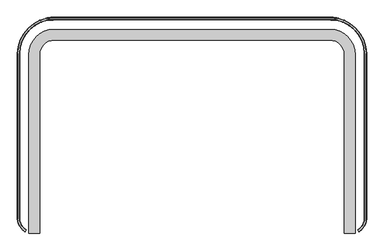
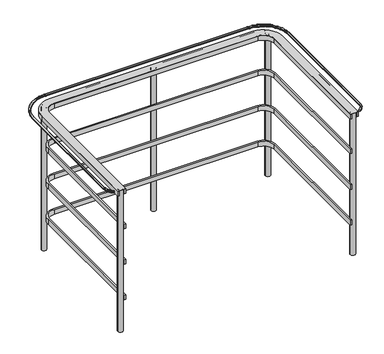
"""IFC4 building model written with IfcOpenShell, lengths in millimetres: furniture geometry."""

from ifc_helpers import new_model, si_unit, point, frame, frame_2d, origin, origin_with_axes, place, context, project, spatial, polyline, circle_curve, ellipse_curve, trimmed, segment, composite_curve, outline, extrude, source, transform, mapped, element, save
from ifc_brep_helpers import plane_surface, cylinder_surface, revolved_surface, advanced_brep


def furniture_d16b6ce9(model_context):
    return source(origin(), model_context, "Body", "SolidModel", [
        advanced_brep(
        [(1219.8057584, -798.6816288, 1486.5399706), (1221.0351016, -800.9043108, 1483.9999706), (1225.8363168, -809.5850221, 1483.9999706), (1227.0656601, -811.8077041, 1486.5399706), (1227.0656601, -811.8077041, 1493.9723658), (1227.1970672, -812.0452913, 1494.9525302), (1227.5738284, -812.7264845, 1496.2498448), (1227.3682554, -812.3548037, 1497.0000492), (1219.5200489, -798.1650592, 1497.0000492), (1219.3062783, -797.778557, 1496.2199292), (1219.6743512, -798.4440416, 1494.9525312), (1219.8057584, -798.6816288, 1493.9723667), (1270.0401768, -717.7988757, 1483.9999706), (1267.5001768, -717.7988757, 1486.5399706), (1279.9601776, -717.7988757, 1483.9999706), (1270.0401768, 499.6902468, 1483.9999706), (1017.4633118, 752.2671118, 1483.9999706), (-1017.4633118, 752.2671118, 1483.9999706), (-1270.0401768, 499.6902468, 1483.9999706), (-1270.0401768, -717.7988635, 1483.9999706), (-1221.0350164, -800.9043458, 1483.9999706), (-1225.8362226, -809.585062, 1483.9999706), (-1279.9601776, -717.7988635, 1483.9999706), (-1279.9601776, 499.6902468, 1483.9999706), (-1017.4633118, 762.1871126, 1483.9999706), (1017.4633118, 762.1871126, 1483.9999706), (1279.9601776, 499.6902468, 1483.9999706), (1282.5001776, -717.7988757, 1486.5399706), (1282.5001776, -717.7988757, 1493.9723658), (1282.7716836, -717.7988757, 1494.9525302), (1283.5501264, -717.7988757, 1496.2498448), (1283.1253831, -717.7988757, 1497.0000492), (1266.9098599, -717.7988757, 1497.0000492), (1283.1253831, 499.6902468, 1497.0000492), (1017.4633118, 765.3523181, 1497.0000492), (-1017.4633118, 765.3523181, 1497.0000492), (-1283.1253831, 499.6902468, 1497.0000492), (-1283.1253831, -717.7988635, 1497.0000492), (-1227.3681584, -812.3548451, 1497.0000492), (-1219.5199664, -798.1650927, 1497.0000492), (-1266.9098599, -717.7988635, 1497.0000492), (-1266.9098599, 499.6902468, 1497.0000492), (-1017.4633118, 749.1367949, 1497.0000492), (1017.4633118, 749.1367949, 1497.0000492), (1266.9098599, 499.6902468, 1497.0000492), (1266.4681792, -717.7988757, 1496.2199292), (1267.2286708, -717.7988757, 1494.9525312), (1267.5001768, -717.7988757, 1493.9723667), (1267.5001768, 499.6902468, 1486.5399706), (1282.5001776, 499.6902468, 1486.5399706), (1282.5001776, 499.6902468, 1493.9723658), (1282.7716836, 499.6902468, 1494.9525302), (1283.5501264, 499.6902468, 1496.2498448), (1266.4681792, 499.6902468, 1496.2199292), (1267.2286708, 499.6902468, 1494.9525312), (1267.5001768, 499.6902468, 1493.9723667), (1017.4633118, 749.7271118, 1486.5399706), (1017.4633118, 764.7271126, 1486.5399706), (1017.4633118, 764.7271126, 1493.9723658), (1017.4633118, 764.9986186, 1494.9525302), (1017.4633118, 765.7770614, 1496.2498448), (1017.4633118, 748.6951142, 1496.2199292), (1017.4633118, 749.4556058, 1494.9525312), (1017.4633118, 749.7271118, 1493.9723667), (-1017.4633118, 749.7271118, 1486.5399706), (-1017.4633118, 764.7271126, 1486.5399706), (-1017.4633118, 764.7271126, 1493.9723658), (-1017.4633118, 764.9986186, 1494.9525302), (-1017.4633118, 765.7770614, 1496.2498448), (-1017.4633118, 748.6951142, 1496.2199292), (-1017.4633118, 749.4556058, 1494.9525312), (-1017.4633118, 749.7271118, 1493.9723667), (-1267.5001768, 499.6902468, 1486.5399706), (-1282.5001776, 499.6902468, 1486.5399706), (-1282.5001776, 499.6902468, 1493.9723658), (-1282.7716836, 499.6902468, 1494.9525302), (-1283.5501264, 499.6902468, 1496.2498448), (-1266.4681792, 499.6902468, 1496.2199292), (-1267.2286708, 499.6902468, 1494.9525312), (-1267.5001768, 499.6902468, 1493.9723667), (-1267.5001768, -717.7988635, 1486.5399706), (-1282.5001776, -717.7988635, 1486.5399706), (-1282.5001776, -717.7988635, 1493.9723658), (-1282.7716836, -717.7988635, 1494.9525302), (-1283.5501264, -717.7988635, 1496.2498448), (-1266.4681792, -717.7988635, 1496.2199292), (-1267.2286708, -717.7988635, 1494.9525312), (-1267.5001768, -717.7988635, 1493.9723667), (-1219.8056754, -798.6816626, 1486.5399706), (-1219.8056754, -798.6816626, 1493.9723667), (-1219.6742685, -798.4440752, 1494.9525312), (-1219.3061963, -797.7785902, 1496.2199292), (-1227.573731, -812.7265262, 1496.2498448), (-1227.1969705, -812.0453326, 1494.9525302), (-1227.0655636, -811.8077452, 1493.9723658), (-1227.0655636, -811.8077452, 1486.5399706)],
        [
            (0, 1, circle_curve(frame((1221.0351016, -800.9043108, 1486.5399706), z_axis=(-0.8750716363705221, -0.4839934206369097, 0.0), x_axis=(-0.4839934206369097, 0.8750716363705221, 0.0)), 2.54)),
            (1, 2),
            (2, 3, circle_curve(frame((1225.8363168, -809.5850221, 1486.5399706), z_axis=(-0.8750716363705221, -0.4839934206369097, 0.0), x_axis=(-0.4839934206369097, 0.8750716363705221, 0.0)), 2.54)),
            (3, 4),
            (4, 5, circle_curve(frame((1227.9876675, -813.4747155, 1493.9723658), z_axis=(0.8750716363705221, 0.4839934206369097, 0.0), x_axis=(-0.4839934206369097, 0.8750716363705221, 0.0)), 1.905)),
            (5, 6),
            (6, 7, circle_curve(frame((1227.3682554, -812.3548037, 1496.5047085), z_axis=(-0.8750716363705221, -0.4839934206369097, 0.0), x_axis=(-0.4839934206369097, 0.8750716363705221, 0.0)), 0.4953407)),
            (7, 8),
            (8, 9, circle_curve(frame((1219.5200489, -798.1650592, 1496.484956), z_axis=(-0.8750716363705221, -0.4839934206369097, 0.0), x_axis=(-0.4839934206369097, 0.8750716363705221, 0.0)), 0.5150932)),
            (9, 10),
            (10, 11, circle_curve(frame((1218.8837509, -797.0146174, 1493.9723667), z_axis=(0.8750716363705221, 0.4839934206369097, 0.0), x_axis=(-0.4839934206369097, 0.8750716363705221, 0.0)), 1.905)),
            (11, 0),
            (12, 1, circle_curve(frame((1175.0703118, -717.7988757, 1483.9999706), z_axis=(0.0, 0.0, -1.0), x_axis=(0.48399342063690975, -0.8750716363705221, 0.0)), 94.969865)),
            (0, 13, circle_curve(frame((1175.0703118, -717.7988757, 1486.5399706), z_axis=(0.0, 0.0, 1.0), x_axis=(0.48399342063690975, -0.8750716363705221, 0.0)), 92.429865)),
            (13, 12, circle_curve(frame((1270.0401768, -717.7988757, 1486.5399706), z_axis=(0.0, -1.0, 0.0), x_axis=(-1.0, 0.0, 0.0)), 2.54)),
            (14, 2, circle_curve(frame((1175.0703118, -717.7988757, 1483.9999706), z_axis=(0.0, 0.0, -1.0), x_axis=(0.48399342063690975, -0.8750716363705221, 0.0)), 104.8898658)),
            (12, 15),
            (15, 16, circle_curve(frame((1017.4633118, 499.6902468, 1483.9999706), z_axis=(0.0, 0.0, 1.0), x_axis=(1.0, 0.0, 0.0)), 252.576865)),
            (16, 17),
            (17, 18, circle_curve(frame((-1017.4633118, 499.6902468, 1483.9999706), z_axis=(0.0, 0.0, 1.0), x_axis=(0.0, 1.0, 0.0)), 252.576865)),
            (18, 19),
            (19, 20, circle_curve(frame((-1175.0703118, -717.7988635, 1483.9999706), z_axis=(0.0, 0.0, 1.0), x_axis=(-1.0, 0.0, 0.0)), 94.969865)),
            (20, 21),
            (21, 22, circle_curve(frame((-1175.0703118, -717.7988635, 1483.9999706), z_axis=(0.0, 0.0, -1.0), x_axis=(-1.0, 0.0, 0.0)), 104.8898658)),
            (22, 23),
            (23, 24, circle_curve(frame((-1017.4633118, 499.6902468, 1483.9999706), z_axis=(0.0, 0.0, -1.0), x_axis=(0.0, 1.0, 0.0)), 262.4968658)),
            (24, 25),
            (25, 26, circle_curve(frame((1017.4633118, 499.6902468, 1483.9999706), z_axis=(0.0, 0.0, -1.0), x_axis=(1.0, 0.0, 0.0)), 262.4968658)),
            (26, 14),
            (27, 3, circle_curve(frame((1175.0703118, -717.7988757, 1486.5399706), z_axis=(0.0, 0.0, -1.0), x_axis=(0.48399342063690975, -0.8750716363705221, 0.0)), 107.4298658)),
            (14, 27, circle_curve(frame((1279.9601776, -717.7988757, 1486.5399706), z_axis=(0.0, -1.0, 0.0), x_axis=(-1.0, 0.0, 0.0)), 2.54)),
            (28, 4, circle_curve(frame((1175.0703118, -717.7988757, 1493.9723658), z_axis=(0.0, 0.0, -1.0), x_axis=(0.48399342063690975, -0.8750716363705221, 0.0)), 107.4298658)),
            (27, 28),
            (29, 5, circle_curve(frame((1175.0703118, -717.7988757, 1494.9525302), z_axis=(0.0, 0.0, -1.0), x_axis=(0.48399342063690975, -0.8750716363705221, 0.0)), 107.7013718)),
            (28, 29, circle_curve(frame((1284.4051776, -717.7988757, 1493.9723658), z_axis=(0.0, 1.0, 0.0), x_axis=(-1.0, 0.0, 0.0)), 1.905)),
            (30, 6, circle_curve(frame((1175.0703118, -717.7988757, 1496.2498448), z_axis=(0.0, 0.0, -1.0), x_axis=(0.48399342063690975, -0.8750716363705221, 0.0)), 108.4798146)),
            (29, 30),
            (31, 7, circle_curve(frame((1175.0703118, -717.7988757, 1497.0000492), z_axis=(0.0, 0.0, -1.0), x_axis=(0.48399342063690975, -0.8750716363705221, 0.0)), 108.0550712)),
            (30, 31, circle_curve(frame((1283.1253831, -717.7988757, 1496.5047085), z_axis=(0.0, -1.0, 0.0), x_axis=(-1.0, 0.0, 0.0)), 0.4953407)),
            (32, 8, circle_curve(frame((1175.0703118, -717.7988757, 1497.0000492), z_axis=(0.0, 0.0, -1.0), x_axis=(0.48399342063690975, -0.8750716363705221, 0.0)), 91.839548)),
            (31, 33),
            (33, 34, circle_curve(frame((1017.4633118, 499.6902468, 1497.0000492), z_axis=(0.0, 0.0, 1.0), x_axis=(1.0, 0.0, 0.0)), 265.6620712)),
            (34, 35),
            (35, 36, circle_curve(frame((-1017.4633118, 499.6902468, 1497.0000492), z_axis=(0.0, 0.0, 1.0), x_axis=(0.0, 1.0, 0.0)), 265.6620712)),
            (36, 37),
            (37, 38, circle_curve(frame((-1175.0703118, -717.7988635, 1497.0000492), z_axis=(0.0, 0.0, 1.0), x_axis=(-1.0, 0.0, 0.0)), 108.0550712)),
            (38, 39),
            (39, 40, circle_curve(frame((-1175.0703118, -717.7988635, 1497.0000492), z_axis=(0.0, 0.0, -1.0), x_axis=(-1.0, 0.0, 0.0)), 91.839548)),
            (40, 41),
            (41, 42, circle_curve(frame((-1017.4633118, 499.6902468, 1497.0000492), z_axis=(0.0, 0.0, -1.0), x_axis=(0.0, 1.0, 0.0)), 249.446548)),
            (42, 43),
            (43, 44, circle_curve(frame((1017.4633118, 499.6902468, 1497.0000492), z_axis=(0.0, 0.0, -1.0), x_axis=(1.0, 0.0, 0.0)), 249.446548)),
            (44, 32),
            (45, 9, circle_curve(frame((1175.0703118, -717.7988757, 1496.2199292), z_axis=(0.0, 0.0, -1.0), x_axis=(0.48399342063690975, -0.8750716363705221, 0.0)), 91.3978674)),
            (32, 45, circle_curve(frame((1266.9098599, -717.7988757, 1496.484956), z_axis=(0.0, -1.0, 0.0), x_axis=(-1.0, 0.0, 0.0)), 0.5150932)),
            (46, 10, circle_curve(frame((1175.0703118, -717.7988757, 1494.9525312), z_axis=(0.0, 0.0, -1.0), x_axis=(0.48399342063690975, -0.8750716363705221, 0.0)), 92.158359)),
            (45, 46),
            (47, 11, circle_curve(frame((1175.0703118, -717.7988757, 1493.9723667), z_axis=(0.0, 0.0, -1.0), x_axis=(0.48399342063690975, -0.8750716363705221, 0.0)), 92.429865)),
            (46, 47, circle_curve(frame((1265.5951768, -717.7988757, 1493.9723667), z_axis=(0.0, 1.0, 0.0), x_axis=(-1.0, 0.0, 0.0)), 1.905)),
            (47, 13),
            (13, 48),
            (48, 15, circle_curve(frame((1270.0401768, 499.6902468, 1486.5399706), z_axis=(0.0, -1.0, 0.0), x_axis=(-1.0, 0.0, 0.0)), 2.54)),
            (26, 49, circle_curve(frame((1279.9601776, 499.6902468, 1486.5399706), z_axis=(0.0, -1.0, 0.0), x_axis=(-1.0, 0.0, 0.0)), 2.54)),
            (49, 27),
            (49, 50),
            (50, 28),
            (50, 51, circle_curve(frame((1284.4051776, 499.6902468, 1493.9723658), z_axis=(0.0, 1.0, 0.0), x_axis=(-1.0, 0.0, 0.0)), 1.905)),
            (51, 29),
            (51, 52),
            (52, 30),
            (52, 33, circle_curve(frame((1283.1253831, 499.6902468, 1496.5047085), z_axis=(0.0, -1.0, 0.0), x_axis=(-1.0, 0.0, 0.0)), 0.4953407)),
            (44, 53, circle_curve(frame((1266.9098599, 499.6902468, 1496.484956), z_axis=(0.0, -1.0, 0.0), x_axis=(-1.0, 0.0, 0.0)), 0.5150932)),
            (53, 45),
            (53, 54),
            (54, 46),
            (54, 55, circle_curve(frame((1265.5951768, 499.6902468, 1493.9723667), z_axis=(0.0, 1.0, 0.0), x_axis=(-1.0, 0.0, 0.0)), 1.905)),
            (55, 47),
            (55, 48),
            (48, 56, circle_curve(frame((1017.4633118, 499.6902468, 1486.5399706), z_axis=(0.0, 0.0, 1.0), x_axis=(1.0, 0.0, 0.0)), 250.036865)),
            (56, 16, circle_curve(frame((1017.4633118, 752.2671118, 1486.5399706), z_axis=(1.0, 0.0, 0.0), x_axis=(0.0, -1.0, 0.0)), 2.54)),
            (57, 49, circle_curve(frame((1017.4633118, 499.6902468, 1486.5399706), z_axis=(0.0, 0.0, -1.0), x_axis=(1.0, 0.0, 0.0)), 265.0368658)),
            (25, 57, circle_curve(frame((1017.4633118, 762.1871126, 1486.5399706), z_axis=(1.0, 0.0, 0.0), x_axis=(0.0, -1.0, 0.0)), 2.54)),
            (58, 50, circle_curve(frame((1017.4633118, 499.6902468, 1493.9723658), z_axis=(0.0, 0.0, -1.0), x_axis=(1.0, 0.0, 0.0)), 265.0368658)),
            (57, 58),
            (59, 51, circle_curve(frame((1017.4633118, 499.6902468, 1494.9525302), z_axis=(0.0, 0.0, -1.0), x_axis=(1.0, 0.0, 0.0)), 265.3083718)),
            (58, 59, circle_curve(frame((1017.4633118, 766.6321126, 1493.9723658), z_axis=(-1.0, 0.0, 0.0), x_axis=(0.0, -1.0, 0.0)), 1.905)),
            (60, 52, circle_curve(frame((1017.4633118, 499.6902468, 1496.2498448), z_axis=(0.0, 0.0, -1.0), x_axis=(1.0, 0.0, 0.0)), 266.0868146)),
            (59, 60),
            (60, 34, circle_curve(frame((1017.4633118, 765.3523181, 1496.5047085), z_axis=(1.0, 0.0, 0.0), x_axis=(0.0, -1.0, 0.0)), 0.4953407)),
            (61, 53, circle_curve(frame((1017.4633118, 499.6902468, 1496.2199292), z_axis=(0.0, 0.0, -1.0), x_axis=(1.0, 0.0, 0.0)), 249.0048674)),
            (43, 61, circle_curve(frame((1017.4633118, 749.1367949, 1496.484956), z_axis=(1.0, 0.0, 0.0), x_axis=(0.0, -1.0, 0.0)), 0.5150932)),
            (62, 54, circle_curve(frame((1017.4633118, 499.6902468, 1494.9525312), z_axis=(0.0, 0.0, -1.0), x_axis=(1.0, 0.0, 0.0)), 249.765359)),
            (61, 62),
            (63, 55, circle_curve(frame((1017.4633118, 499.6902468, 1493.9723667), z_axis=(0.0, 0.0, -1.0), x_axis=(1.0, 0.0, 0.0)), 250.036865)),
            (62, 63, circle_curve(frame((1017.4633118, 747.8221118, 1493.9723667), z_axis=(-1.0, 0.0, 0.0), x_axis=(0.0, -1.0, 0.0)), 1.905)),
            (63, 56),
            (56, 64),
            (64, 17, circle_curve(frame((-1017.4633118, 752.2671118, 1486.5399706), z_axis=(1.0, 0.0, 0.0), x_axis=(0.0, -1.0, 0.0)), 2.54)),
            (24, 65, circle_curve(frame((-1017.4633118, 762.1871126, 1486.5399706), z_axis=(1.0, 0.0, 0.0), x_axis=(0.0, -1.0, 0.0)), 2.54)),
            (65, 57),
            (65, 66),
            (66, 58),
            (66, 67, circle_curve(frame((-1017.4633118, 766.6321126, 1493.9723658), z_axis=(-1.0, 0.0, 0.0), x_axis=(0.0, -1.0, 0.0)), 1.905)),
            (67, 59),
            (67, 68),
            (68, 60),
            (68, 35, circle_curve(frame((-1017.4633118, 765.3523181, 1496.5047085), z_axis=(1.0, 0.0, 0.0), x_axis=(0.0, -1.0, 0.0)), 0.4953407)),
            (42, 69, circle_curve(frame((-1017.4633118, 749.1367949, 1496.484956), z_axis=(1.0, 0.0, 0.0), x_axis=(0.0, -1.0, 0.0)), 0.5150932)),
            (69, 61),
            (69, 70),
            (70, 62),
            (70, 71, circle_curve(frame((-1017.4633118, 747.8221118, 1493.9723667), z_axis=(-1.0, 0.0, 0.0), x_axis=(0.0, -1.0, 0.0)), 1.905)),
            (71, 63),
            (71, 64),
            (64, 72, circle_curve(frame((-1017.4633118, 499.6902468, 1486.5399706), z_axis=(0.0, 0.0, 1.0), x_axis=(0.0, 1.0, 0.0)), 250.036865)),
            (72, 18, circle_curve(frame((-1270.0401768, 499.6902468, 1486.5399706), z_axis=(0.0, 1.0, 0.0), x_axis=(1.0, 0.0, 0.0)), 2.54)),
            (73, 65, circle_curve(frame((-1017.4633118, 499.6902468, 1486.5399706), z_axis=(0.0, 0.0, -1.0), x_axis=(0.0, 1.0, 0.0)), 265.0368658)),
            (23, 73, circle_curve(frame((-1279.9601776, 499.6902468, 1486.5399706), z_axis=(0.0, 1.0, 0.0), x_axis=(1.0, 0.0, 0.0)), 2.54)),
            (74, 66, circle_curve(frame((-1017.4633118, 499.6902468, 1493.9723658), z_axis=(0.0, 0.0, -1.0), x_axis=(0.0, 1.0, 0.0)), 265.0368658)),
            (73, 74),
            (75, 67, circle_curve(frame((-1017.4633118, 499.6902468, 1494.9525302), z_axis=(0.0, 0.0, -1.0), x_axis=(0.0, 1.0, 0.0)), 265.3083718)),
            (74, 75, circle_curve(frame((-1284.4051776, 499.6902468, 1493.9723658), z_axis=(0.0, -1.0, 0.0), x_axis=(1.0, 0.0, 0.0)), 1.905)),
            (76, 68, circle_curve(frame((-1017.4633118, 499.6902468, 1496.2498448), z_axis=(0.0, 0.0, -1.0), x_axis=(0.0, 1.0, 0.0)), 266.0868146)),
            (75, 76),
            (76, 36, circle_curve(frame((-1283.1253831, 499.6902468, 1496.5047085), z_axis=(0.0, 1.0, 0.0), x_axis=(1.0, 0.0, 0.0)), 0.4953407)),
            (77, 69, circle_curve(frame((-1017.4633118, 499.6902468, 1496.2199292), z_axis=(0.0, 0.0, -1.0), x_axis=(0.0, 1.0, 0.0)), 249.0048674)),
            (41, 77, circle_curve(frame((-1266.9098599, 499.6902468, 1496.484956), z_axis=(0.0, 1.0, 0.0), x_axis=(1.0, 0.0, 0.0)), 0.5150932)),
            (78, 70, circle_curve(frame((-1017.4633118, 499.6902468, 1494.9525312), z_axis=(0.0, 0.0, -1.0), x_axis=(0.0, 1.0, 0.0)), 249.765359)),
            (77, 78),
            (79, 71, circle_curve(frame((-1017.4633118, 499.6902468, 1493.9723667), z_axis=(0.0, 0.0, -1.0), x_axis=(0.0, 1.0, 0.0)), 250.036865)),
            (78, 79, circle_curve(frame((-1265.5951768, 499.6902468, 1493.9723667), z_axis=(0.0, -1.0, 0.0), x_axis=(1.0, 0.0, 0.0)), 1.905)),
            (79, 72),
            (72, 80),
            (80, 19, circle_curve(frame((-1270.0401768, -717.7988635, 1486.5399706), z_axis=(0.0, 1.0, 0.0), x_axis=(1.0, 0.0, 0.0)), 2.54)),
            (22, 81, circle_curve(frame((-1279.9601776, -717.7988635, 1486.5399706), z_axis=(0.0, 1.0, 0.0), x_axis=(1.0, 0.0, 0.0)), 2.54)),
            (81, 73),
            (81, 82),
            (82, 74),
            (82, 83, circle_curve(frame((-1284.4051776, -717.7988635, 1493.9723658), z_axis=(0.0, -1.0, 0.0), x_axis=(1.0, 0.0, 0.0)), 1.905)),
            (83, 75),
            (83, 84),
            (84, 76),
            (84, 37, circle_curve(frame((-1283.1253831, -717.7988635, 1496.5047085), z_axis=(0.0, 1.0, 0.0), x_axis=(1.0, 0.0, 0.0)), 0.4953407)),
            (40, 85, circle_curve(frame((-1266.9098599, -717.7988635, 1496.484956), z_axis=(0.0, 1.0, 0.0), x_axis=(1.0, 0.0, 0.0)), 0.5150932)),
            (85, 77),
            (85, 86),
            (86, 78),
            (86, 87, circle_curve(frame((-1265.5951768, -717.7988635, 1493.9723667), z_axis=(0.0, -1.0, 0.0), x_axis=(1.0, 0.0, 0.0)), 1.905)),
            (87, 79),
            (87, 80),
            (88, 89),
            (89, 90, circle_curve(frame((-1218.8836696, -797.0146501, 1493.9723667), z_axis=(-0.8750721328255884, 0.48399252303323437, 0.0), x_axis=(0.48399252303323437, 0.8750721328255884, 0.0)), 1.905)),
            (90, 91),
            (91, 39, circle_curve(frame((-1219.5199664, -798.1650927, 1496.484956), z_axis=(0.8750721328255884, -0.48399252303323437, 0.0), x_axis=(0.48399252303323437, 0.8750721328255884, 0.0)), 0.5150932)),
            (38, 92, circle_curve(frame((-1227.3681584, -812.3548451, 1496.5047085), z_axis=(0.8750721328255884, -0.48399252303323437, 0.0), x_axis=(0.48399252303323437, 0.8750721328255884, 0.0)), 0.4953407)),
            (92, 93),
            (93, 94, circle_curve(frame((-1227.9875694, -813.4747577, 1493.9723658), z_axis=(-0.8750721328255884, 0.48399252303323437, 0.0), x_axis=(0.48399252303323437, 0.8750721328255884, 0.0)), 1.905)),
            (94, 95),
            (95, 21, circle_curve(frame((-1225.8362226, -809.585062, 1486.5399706), z_axis=(0.8750721328255884, -0.48399252303323437, 0.0), x_axis=(0.48399252303323437, 0.8750721328255884, 0.0)), 2.54)),
            (20, 88, circle_curve(frame((-1221.0350164, -800.9043458, 1486.5399706), z_axis=(0.8750721328255884, -0.48399252303323437, 0.0), x_axis=(0.48399252303323437, 0.8750721328255884, 0.0)), 2.54)),
            (80, 88, circle_curve(frame((-1175.0703118, -717.7988635, 1486.5399706), z_axis=(0.0, 0.0, 1.0), x_axis=(-1.0, 0.0, 0.0)), 92.429865)),
            (95, 81, circle_curve(frame((-1175.0703118, -717.7988635, 1486.5399706), z_axis=(0.0, 0.0, -1.0), x_axis=(-1.0, 0.0, 0.0)), 107.4298658)),
            (94, 82, circle_curve(frame((-1175.0703118, -717.7988635, 1493.9723658), z_axis=(0.0, 0.0, -1.0), x_axis=(-1.0, 0.0, 0.0)), 107.4298658)),
            (93, 83, circle_curve(frame((-1175.0703118, -717.7988635, 1494.9525302), z_axis=(0.0, 0.0, -1.0), x_axis=(-1.0, 0.0, 0.0)), 107.7013718)),
            (92, 84, circle_curve(frame((-1175.0703118, -717.7988635, 1496.2498448), z_axis=(0.0, 0.0, -1.0), x_axis=(-1.0, 0.0, 0.0)), 108.4798146)),
            (91, 85, circle_curve(frame((-1175.0703118, -717.7988635, 1496.2199292), z_axis=(0.0, 0.0, -1.0), x_axis=(-1.0, 0.0, 0.0)), 91.3978674)),
            (90, 86, circle_curve(frame((-1175.0703118, -717.7988635, 1494.9525312), z_axis=(0.0, 0.0, -1.0), x_axis=(-1.0, 0.0, 0.0)), 92.158359)),
            (89, 87, circle_curve(frame((-1175.0703118, -717.7988635, 1493.9723667), z_axis=(0.0, 0.0, -1.0), x_axis=(-1.0, 0.0, 0.0)), 92.429865)),
        ],
        [
            plane_surface(frame((1219.2652031, -797.704292, 1497.965), z_axis=(-0.8750716363705222, -0.48399342063690975, 0.0), x_axis=(0.0, 0.0, 1.0))),
            revolved_surface(trimmed(ellipse_curve(frame((1221.0351016, -800.9043108, 1486.5399706), z_axis=(-0.8750716363705221, -0.4839934206369097, 0.0), x_axis=(-0.4839934206369097, 0.8750716363705221, 0.0)), 2.54, 2.54), [point((1219.8057584, -798.6816288, 1486.5399706))], [point((1221.0351016, -800.9043108, 1483.9999706))], True, "CARTESIAN"), (1175.0703118, -717.7988757, 1497.965), (0.0, 0.0, 1.0)),
            plane_surface(frame((1175.0703118, -717.7988757, 1483.9999706), z_axis=(0.0, 0.0, -1.0000000000000002), x_axis=(0.4839934206369098, -0.8750716363705222, 0.0))),
            revolved_surface(trimmed(ellipse_curve(frame((1225.8363168, -809.5850221, 1486.5399706), z_axis=(-0.8750716363705221, -0.4839934206369097, 0.0), x_axis=(-0.4839934206369097, 0.8750716363705221, 0.0)), 2.54, 2.54), [point((1225.8363168, -809.5850221, 1483.9999706))], [point((1227.0656601, -811.8077041, 1486.5399706))], True, "CARTESIAN"), (1175.0703118, -717.7988757, 1497.965), (0.0, 0.0, 1.0)),
            cylinder_surface(frame((1175.0703118, -717.7988757, 1497.965), z_axis=(0.0, 0.0, 1.0), x_axis=(0.48399342063690975, -0.8750716363705221, 0.0)), 107.4298658),
            revolved_surface(trimmed(ellipse_curve(frame((1227.9876675, -813.4747155, 1493.9723658), z_axis=(0.8750716363705221, 0.4839934206369097, 0.0), x_axis=(-0.4839934206369097, 0.8750716363705221, 0.0)), 1.905, 1.905), [point((1227.0656601, -811.8077041, 1493.9723658))], [point((1227.1970672, -812.0452913, 1494.9525302))], True, "CARTESIAN"), (1175.0703118, -717.7988757, 1497.965), (0.0, 0.0, 1.0)),
            revolved_surface(polyline([(1227.1970672, -812.0452913, 1494.9525302), (1227.5738284, -812.7264845, 1496.2498448)]), (1175.0703118, -717.7988757, 1497.965), (0.0, 0.0, 1.0)),
            revolved_surface(trimmed(ellipse_curve(frame((1227.3682554, -812.3548037, 1496.5047085), z_axis=(-0.8750716363705221, -0.4839934206369097, 0.0), x_axis=(-0.4839934206369097, 0.8750716363705221, 0.0)), 0.4953407, 0.4953407), [point((1227.5738284, -812.7264845, 1496.2498448))], [point((1227.3682554, -812.3548037, 1497.0000492))], True, "CARTESIAN"), (1175.0703118, -717.7988757, 1497.965), (0.0, 0.0, 1.0)),
            plane_surface(frame((1175.0703118, -717.7988757, 1497.0000492), z_axis=(0.0, 0.0, 1.0000000000000002), x_axis=(0.4839934206369098, -0.8750716363705222, 0.0))),
            revolved_surface(trimmed(ellipse_curve(frame((1219.5200489, -798.1650592, 1496.484956), z_axis=(-0.8750716363705221, -0.4839934206369097, 0.0), x_axis=(-0.4839934206369097, 0.8750716363705221, 0.0)), 0.5150932, 0.5150932), [point((1219.5200489, -798.1650592, 1497.0000492))], [point((1219.3062783, -797.778557, 1496.2199292))], True, "CARTESIAN"), (1175.0703118, -717.7988757, 1497.965), (0.0, 0.0, 1.0)),
            revolved_surface(polyline([(1219.3062783, -797.778557, 1496.2199292), (1219.6743512, -798.4440416, 1494.9525312)]), (1175.0703118, -717.7988757, 1497.965), (0.0, 0.0, 1.0)),
            revolved_surface(trimmed(ellipse_curve(frame((1218.8837509, -797.0146174, 1493.9723667), z_axis=(0.8750716363705221, 0.4839934206369097, 0.0), x_axis=(-0.4839934206369097, 0.8750716363705221, 0.0)), 1.905, 1.905), [point((1219.6743512, -798.4440416, 1494.9525312))], [point((1219.8057584, -798.6816288, 1493.9723667))], True, "CARTESIAN"), (1175.0703118, -717.7988757, 1497.965), (0.0, 0.0, 1.0)),
            revolved_surface(polyline([(1219.8057583303578, -798.6816289150565, 1493.9723667), (1219.8057583303578, -798.6816289150565, 1486.5399706)]), (1175.0703118, -717.7988757, 1497.965), (0.0, 0.0, 1.0)),
            cylinder_surface(frame((1270.0401768, -717.7988757, 1486.5399706), z_axis=(0.0, -1.0, 0.0), x_axis=(-1.0, 0.0, 0.0)), 2.54),
            cylinder_surface(frame((1279.9601776, -717.7988757, 1486.5399706), z_axis=(0.0, -1.0, 0.0), x_axis=(-1.0, 0.0, 0.0)), 2.54),
            plane_surface(frame((1282.5001776, -717.7988757, 1486.5399706), z_axis=(1.0, 0.0, 0.0), x_axis=(0.0, 1.0, 0.0))),
            revolved_surface(polyline([(1282.5001776, 499.69024680000007, 1493.9723658), (1282.5001776, -717.7988757, 1493.9723658)]), (1284.4051776, -717.7988757, 1493.9723658), (0.0, 1.0, 0.0)),
            plane_surface(frame((1282.7716836, -717.7988757, 1494.9525302), z_axis=(0.8574771600406556, 0.0, -0.5145220306348525), x_axis=(0.0, 1.0, 0.0))),
            cylinder_surface(frame((1283.1253831, -717.7988757, 1496.5047085), z_axis=(0.0, -1.0, 0.0), x_axis=(-1.0, 0.0, 0.0)), 0.4953407),
            cylinder_surface(frame((1266.9098599, -717.7988757, 1496.484956), z_axis=(0.0, -1.0, 0.0), x_axis=(-1.0, 0.0, 0.0)), 0.5150932),
            plane_surface(frame((1266.4681792, -717.7988757, 1496.2199292), z_axis=(-0.8574771600406436, 0.0, -0.5145220306348723), x_axis=(0.0, 1.0, 0.0))),
            revolved_surface(polyline([(1263.6901768, 499.69024680000007, 1493.9723667), (1263.6901768, -717.7988757, 1493.9723667)]), (1265.5951768, -717.7988757, 1493.9723667), (0.0, 1.0, 0.0)),
            plane_surface(frame((1267.5001768, -717.7988757, 1493.9723667), z_axis=(-1.0, 0.0, 0.0), x_axis=(0.0, 1.0, 0.0))),
            revolved_surface(trimmed(ellipse_curve(frame((1270.0401768, 499.6902468, 1486.5399706), z_axis=(0.0, -1.0, 0.0), x_axis=(-1.0, 0.0, 0.0)), 2.54, 2.54), [point((1267.5001768, 499.6902468, 1486.5399706))], [point((1270.0401768, 499.6902468, 1483.9999706))], True, "CARTESIAN"), (1017.4633118, 499.6902468, 1497.965), (0.0, 0.0, 1.0)),
            revolved_surface(trimmed(ellipse_curve(frame((1279.9601776, 499.6902468, 1486.5399706), z_axis=(0.0, -1.0, 0.0), x_axis=(-1.0, 0.0, 0.0)), 2.54, 2.54), [point((1279.9601776, 499.6902468, 1483.9999706))], [point((1282.5001776, 499.6902468, 1486.5399706))], True, "CARTESIAN"), (1017.4633118, 499.6902468, 1497.965), (0.0, 0.0, 1.0)),
            cylinder_surface(frame((1017.4633118, 499.6902468, 1497.965), z_axis=(0.0, 0.0, 1.0), x_axis=(1.0, 0.0, 0.0)), 265.0368658),
            revolved_surface(trimmed(ellipse_curve(frame((1284.4051776, 499.6902468, 1493.9723658), z_axis=(0.0, 1.0, 0.0), x_axis=(-1.0, 0.0, 0.0)), 1.905, 1.905), [point((1282.5001776, 499.6902468, 1493.9723658))], [point((1282.7716836, 499.6902468, 1494.9525302))], True, "CARTESIAN"), (1017.4633118, 499.6902468, 1497.965), (0.0, 0.0, 1.0)),
            revolved_surface(polyline([(1282.7716836, 499.6902468, 1494.9525302), (1283.5501264, 499.6902468, 1496.2498448)]), (1017.4633118, 499.6902468, 1497.965), (0.0, 0.0, 1.0)),
            revolved_surface(trimmed(ellipse_curve(frame((1283.1253831, 499.6902468, 1496.5047085), z_axis=(0.0, -1.0, 0.0), x_axis=(-1.0, 0.0, 0.0)), 0.4953407, 0.4953407), [point((1283.5501264, 499.6902468, 1496.2498448))], [point((1283.1253831, 499.6902468, 1497.0000492))], True, "CARTESIAN"), (1017.4633118, 499.6902468, 1497.965), (0.0, 0.0, 1.0)),
            revolved_surface(trimmed(ellipse_curve(frame((1266.9098599, 499.6902468, 1496.484956), z_axis=(0.0, -1.0, 0.0), x_axis=(-1.0, 0.0, 0.0)), 0.5150932, 0.5150932), [point((1266.9098599, 499.6902468, 1497.0000492))], [point((1266.4681792, 499.6902468, 1496.2199292))], True, "CARTESIAN"), (1017.4633118, 499.6902468, 1497.965), (0.0, 0.0, 1.0)),
            revolved_surface(polyline([(1266.4681792, 499.6902468, 1496.2199292), (1267.2286708, 499.6902468, 1494.9525312)]), (1017.4633118, 499.6902468, 1497.965), (0.0, 0.0, 1.0)),
            revolved_surface(trimmed(ellipse_curve(frame((1265.5951768, 499.6902468, 1493.9723667), z_axis=(0.0, 1.0, 0.0), x_axis=(-1.0, 0.0, 0.0)), 1.905, 1.905), [point((1267.2286708, 499.6902468, 1494.9525312))], [point((1267.5001768, 499.6902468, 1493.9723667))], True, "CARTESIAN"), (1017.4633118, 499.6902468, 1497.965), (0.0, 0.0, 1.0)),
            revolved_surface(polyline([(1267.5001768, 499.6902468, 1493.9723667), (1267.5001768, 499.6902468, 1486.5399706)]), (1017.4633118, 499.6902468, 1497.965), (0.0, 0.0, 1.0)),
            cylinder_surface(frame((1017.4633118, 752.2671118, 1486.5399706), z_axis=(1.0, 0.0, 0.0), x_axis=(0.0, -1.0, 0.0)), 2.54),
            cylinder_surface(frame((1017.4633118, 762.1871126, 1486.5399706), z_axis=(1.0, 0.0, 0.0), x_axis=(0.0, -1.0, 0.0)), 2.54),
            plane_surface(frame((1017.4633118, 764.7271126, 1486.5399706), z_axis=(0.0, 1.0, 0.0), x_axis=(-1.0, 0.0, 0.0))),
            revolved_surface(polyline([(-1017.4633118, 764.7271126, 1493.9723658), (1017.4633118, 764.7271126, 1493.9723658)]), (1017.4633118, 766.6321126, 1493.9723658), (-1.0, 0.0, 0.0)),
            plane_surface(frame((1017.4633118, 764.9986186, 1494.9525302), z_axis=(0.0, 0.8574771600406572, -0.5145220306348497), x_axis=(-1.0, 0.0, 0.0))),
            cylinder_surface(frame((1017.4633118, 765.3523181, 1496.5047085), z_axis=(1.0, 0.0, 0.0), x_axis=(0.0, -1.0, 0.0)), 0.4953407),
            cylinder_surface(frame((1017.4633118, 749.1367949, 1496.484956), z_axis=(1.0, 0.0, 0.0), x_axis=(0.0, -1.0, 0.0)), 0.5150932),
            plane_surface(frame((1017.4633118, 748.6951142, 1496.2199292), z_axis=(0.0, -0.8574771600406419, -0.5145220306348751), x_axis=(-1.0, 0.0, 0.0))),
            revolved_surface(polyline([(-1017.4633118, 745.9171118, 1493.9723667), (1017.4633118, 745.9171118, 1493.9723667)]), (1017.4633118, 747.8221118, 1493.9723667), (-1.0, 0.0, 0.0)),
            plane_surface(frame((1017.4633118, 749.7271118, 1493.9723667), z_axis=(0.0, -1.0, 0.0), x_axis=(-1.0, 0.0, 0.0))),
            revolved_surface(trimmed(ellipse_curve(frame((-1017.4633118, 752.2671118, 1486.5399706), z_axis=(1.0, 0.0, 0.0), x_axis=(0.0, -1.0, 0.0)), 2.54, 2.54), [point((-1017.4633118, 749.7271118, 1486.5399706))], [point((-1017.4633118, 752.2671118, 1483.9999706))], True, "CARTESIAN"), (-1017.4633118, 499.6902468, 1497.965), (0.0, 0.0, 1.0)),
            revolved_surface(trimmed(ellipse_curve(frame((-1017.4633118, 762.1871126, 1486.5399706), z_axis=(1.0, 0.0, 0.0), x_axis=(0.0, -1.0, 0.0)), 2.54, 2.54), [point((-1017.4633118, 762.1871126, 1483.9999706))], [point((-1017.4633118, 764.7271126, 1486.5399706))], True, "CARTESIAN"), (-1017.4633118, 499.6902468, 1497.965), (0.0, 0.0, 1.0)),
            cylinder_surface(frame((-1017.4633118, 499.6902468, 1497.965), z_axis=(0.0, 0.0, 1.0), x_axis=(0.0, 1.0, 0.0)), 265.0368658),
            revolved_surface(trimmed(ellipse_curve(frame((-1017.4633118, 766.6321126, 1493.9723658), z_axis=(-1.0, 0.0, 0.0), x_axis=(0.0, -1.0, 0.0)), 1.905, 1.905), [point((-1017.4633118, 764.7271126, 1493.9723658))], [point((-1017.4633118, 764.9986186, 1494.9525302))], True, "CARTESIAN"), (-1017.4633118, 499.6902468, 1497.965), (0.0, 0.0, 1.0)),
            revolved_surface(polyline([(-1017.4633118, 764.9986186, 1494.9525302), (-1017.4633118, 765.7770614, 1496.2498448)]), (-1017.4633118, 499.6902468, 1497.965), (0.0, 0.0, 1.0)),
            revolved_surface(trimmed(ellipse_curve(frame((-1017.4633118, 765.3523181, 1496.5047085), z_axis=(1.0, 0.0, 0.0), x_axis=(0.0, -1.0, 0.0)), 0.4953407, 0.4953407), [point((-1017.4633118, 765.7770614, 1496.2498448))], [point((-1017.4633118, 765.3523181, 1497.0000492))], True, "CARTESIAN"), (-1017.4633118, 499.6902468, 1497.965), (0.0, 0.0, 1.0)),
            revolved_surface(trimmed(ellipse_curve(frame((-1017.4633118, 749.1367949, 1496.484956), z_axis=(1.0, 0.0, 0.0), x_axis=(0.0, -1.0, 0.0)), 0.5150932, 0.5150932), [point((-1017.4633118, 749.1367949, 1497.0000492))], [point((-1017.4633118, 748.6951142, 1496.2199292))], True, "CARTESIAN"), (-1017.4633118, 499.6902468, 1497.965), (0.0, 0.0, 1.0)),
            revolved_surface(polyline([(-1017.4633118, 748.6951142, 1496.2199292), (-1017.4633118, 749.4556058, 1494.9525312)]), (-1017.4633118, 499.6902468, 1497.965), (0.0, 0.0, 1.0)),
            revolved_surface(trimmed(ellipse_curve(frame((-1017.4633118, 747.8221118, 1493.9723667), z_axis=(-1.0, 0.0, 0.0), x_axis=(0.0, -1.0, 0.0)), 1.905, 1.905), [point((-1017.4633118, 749.4556058, 1494.9525312))], [point((-1017.4633118, 749.7271118, 1493.9723667))], True, "CARTESIAN"), (-1017.4633118, 499.6902468, 1497.965), (0.0, 0.0, 1.0)),
            revolved_surface(polyline([(-1017.4633118, 749.7271118, 1493.9723667), (-1017.4633118, 749.7271118, 1486.5399706)]), (-1017.4633118, 499.6902468, 1497.965), (0.0, 0.0, 1.0)),
            cylinder_surface(frame((-1270.0401768, 499.6902468, 1486.5399706), z_axis=(0.0, 1.0, 0.0), x_axis=(1.0, 0.0, 0.0)), 2.54),
            cylinder_surface(frame((-1279.9601776, 499.6902468, 1486.5399706), z_axis=(0.0, 1.0, 0.0), x_axis=(1.0, 0.0, 0.0)), 2.54),
            plane_surface(frame((-1282.5001776, 499.6902468, 1486.5399706), z_axis=(-1.0, 0.0, 0.0), x_axis=(0.0, -1.0, 0.0))),
            revolved_surface(polyline([(-1282.5001776, -717.7988634999999, 1493.9723658), (-1282.5001776, 499.6902468, 1493.9723658)]), (-1284.4051776, 499.6902468, 1493.9723658), (0.0, -1.0, 0.0)),
            plane_surface(frame((-1282.7716836, 499.6902468, 1494.9525302), z_axis=(-0.8574771600406589, 0.0, -0.5145220306348469), x_axis=(0.0, -1.0, 0.0))),
            cylinder_surface(frame((-1283.1253831, 499.6902468, 1496.5047085), z_axis=(0.0, 1.0, 0.0), x_axis=(1.0, 0.0, 0.0)), 0.4953407),
            cylinder_surface(frame((-1266.9098599, 499.6902468, 1496.484956), z_axis=(0.0, 1.0, 0.0), x_axis=(1.0, 0.0, 0.0)), 0.5150932),
            plane_surface(frame((-1266.4681792, 499.6902468, 1496.2199292), z_axis=(0.8574771600406402, 0.0, -0.5145220306348779), x_axis=(0.0, -1.0, 0.0))),
            revolved_surface(polyline([(-1263.6901768, -717.7988634999999, 1493.9723667), (-1263.6901768, 499.6902468, 1493.9723667)]), (-1265.5951768, 499.6902468, 1493.9723667), (0.0, -1.0, 0.0)),
            plane_surface(frame((-1267.5001768, 499.6902468, 1493.9723667), z_axis=(1.0, 0.0, 0.0), x_axis=(0.0, -1.0, 0.0))),
            plane_surface(frame((-1219.2651211, -797.7043251, 1497.965), z_axis=(0.8750721328255884, -0.4839925230332343, 0.0), x_axis=(0.0, 0.0, 1.0))),
            revolved_surface(trimmed(ellipse_curve(frame((-1270.0401768, -717.7988635, 1486.5399706), z_axis=(0.0, 1.0, 0.0), x_axis=(1.0, 0.0, 0.0)), 2.54, 2.54), [point((-1267.5001768, -717.7988635, 1486.5399706))], [point((-1270.0401768, -717.7988635, 1483.9999706))], True, "CARTESIAN"), (-1175.0703118, -717.7988635, 1497.965), (0.0, 0.0, 1.0)),
            revolved_surface(trimmed(ellipse_curve(frame((-1279.9601776, -717.7988635, 1486.5399706), z_axis=(0.0, 1.0, 0.0), x_axis=(1.0, 0.0, 0.0)), 2.54, 2.54), [point((-1279.9601776, -717.7988635, 1483.9999706))], [point((-1282.5001776, -717.7988635, 1486.5399706))], True, "CARTESIAN"), (-1175.0703118, -717.7988635, 1497.965), (0.0, 0.0, 1.0)),
            cylinder_surface(frame((-1175.0703118, -717.7988635, 1497.965), z_axis=(0.0, 0.0, 1.0), x_axis=(-1.0, 0.0, 0.0)), 107.4298658),
            revolved_surface(trimmed(ellipse_curve(frame((-1284.4051776, -717.7988635, 1493.9723658), z_axis=(0.0, -1.0, 0.0), x_axis=(1.0, 0.0, 0.0)), 1.905, 1.905), [point((-1282.5001776, -717.7988635, 1493.9723658))], [point((-1282.7716836, -717.7988635, 1494.9525302))], True, "CARTESIAN"), (-1175.0703118, -717.7988635, 1497.965), (0.0, 0.0, 1.0)),
            revolved_surface(polyline([(-1282.7716836, -717.7988635, 1494.9525302), (-1283.5501264, -717.7988635, 1496.2498448)]), (-1175.0703118, -717.7988635, 1497.965), (0.0, 0.0, 1.0)),
            revolved_surface(trimmed(ellipse_curve(frame((-1283.1253831, -717.7988635, 1496.5047085), z_axis=(0.0, 1.0, 0.0), x_axis=(1.0, 0.0, 0.0)), 0.4953407, 0.4953407), [point((-1283.5501264, -717.7988635, 1496.2498448))], [point((-1283.1253831, -717.7988635, 1497.0000492))], True, "CARTESIAN"), (-1175.0703118, -717.7988635, 1497.965), (0.0, 0.0, 1.0)),
            revolved_surface(trimmed(ellipse_curve(frame((-1266.9098599, -717.7988635, 1496.484956), z_axis=(0.0, 1.0, 0.0), x_axis=(1.0, 0.0, 0.0)), 0.5150932, 0.5150932), [point((-1266.9098599, -717.7988635, 1497.0000492))], [point((-1266.4681792, -717.7988635, 1496.2199292))], True, "CARTESIAN"), (-1175.0703118, -717.7988635, 1497.965), (0.0, 0.0, 1.0)),
            revolved_surface(polyline([(-1266.4681792, -717.7988635, 1496.2199292), (-1267.2286708, -717.7988635, 1494.9525312)]), (-1175.0703118, -717.7988635, 1497.965), (0.0, 0.0, 1.0)),
            revolved_surface(trimmed(ellipse_curve(frame((-1265.5951768, -717.7988635, 1493.9723667), z_axis=(0.0, -1.0, 0.0), x_axis=(1.0, 0.0, 0.0)), 1.905, 1.905), [point((-1267.2286708, -717.7988635, 1494.9525312))], [point((-1267.5001768, -717.7988635, 1493.9723667))], True, "CARTESIAN"), (-1175.0703118, -717.7988635, 1497.965), (0.0, 0.0, 1.0)),
            revolved_surface(polyline([(-1267.5001768, -717.7988635, 1493.9723667), (-1267.5001768, -717.7988635, 1486.5399706)]), (-1175.0703118, -717.7988635, 1497.965), (0.0, 0.0, 1.0)),
        ],
        [
            (0, [[1, 2, 3, 4, 5, 6, 7, 8, 9, 10, 11, 12]]),
            (1, [[13, -1, 14, 15]]),
            (2, [[16, -2, -13, 17, 18, 19, 20, 21, 22, 23, 24, 25, 26, 27, 28, 29]]),
            (3, [[30, -3, -16, 31]]),
            (4, [[32, -4, -30, 33]]),
            (5, [[34, -5, -32, 35]]),
            (6, [[36, -6, -34, 37]]),
            (7, [[38, -7, -36, 39]]),
            (8, [[40, -8, -38, 41, 42, 43, 44, 45, 46, 47, 48, 49, 50, 51, 52, 53]]),
            (9, [[54, -9, -40, 55]]),
            (10, [[56, -10, -54, 57]]),
            (11, [[58, -11, -56, 59]]),
            (12, [[-14, -12, -58, 60]]),
            (13, [[-15, 61, 62, -17]]),
            (14, [[-31, -29, 63, 64]]),
            (15, [[-33, -64, 65, 66]]),
            (16, [[-35, -66, 67, 68]]),
            (17, [[-37, -68, 69, 70]]),
            (18, [[-39, -70, 71, -41]]),
            (19, [[-55, -53, 72, 73]]),
            (20, [[-57, -73, 74, 75]]),
            (21, [[-59, -75, 76, 77]]),
            (22, [[-60, -77, 78, -61]]),
            (23, [[-18, -62, 79, 80]]),
            (24, [[81, -63, -28, 82]]),
            (25, [[83, -65, -81, 84]]),
            (26, [[85, -67, -83, 86]]),
            (27, [[87, -69, -85, 88]]),
            (28, [[-42, -71, -87, 89]]),
            (29, [[90, -72, -52, 91]]),
            (30, [[92, -74, -90, 93]]),
            (31, [[94, -76, -92, 95]]),
            (32, [[-79, -78, -94, 96]]),
            (33, [[-80, 97, 98, -19]]),
            (34, [[-82, -27, 99, 100]]),
            (35, [[-84, -100, 101, 102]]),
            (36, [[-86, -102, 103, 104]]),
            (37, [[-88, -104, 105, 106]]),
            (38, [[-89, -106, 107, -43]]),
            (39, [[-91, -51, 108, 109]]),
            (40, [[-93, -109, 110, 111]]),
            (41, [[-95, -111, 112, 113]]),
            (42, [[-96, -113, 114, -97]]),
            (43, [[-20, -98, 115, 116]]),
            (44, [[117, -99, -26, 118]]),
            (45, [[119, -101, -117, 120]]),
            (46, [[121, -103, -119, 122]]),
            (47, [[123, -105, -121, 124]]),
            (48, [[-44, -107, -123, 125]]),
            (49, [[126, -108, -50, 127]]),
            (50, [[128, -110, -126, 129]]),
            (51, [[130, -112, -128, 131]]),
            (52, [[-115, -114, -130, 132]]),
            (53, [[-116, 133, 134, -21]]),
            (54, [[-118, -25, 135, 136]]),
            (55, [[-120, -136, 137, 138]]),
            (56, [[-122, -138, 139, 140]]),
            (57, [[-124, -140, 141, 142]]),
            (58, [[-125, -142, 143, -45]]),
            (59, [[-127, -49, 144, 145]]),
            (60, [[-129, -145, 146, 147]]),
            (61, [[-131, -147, 148, 149]]),
            (62, [[-132, -149, 150, -133]]),
            (63, [[151, 152, 153, 154, -47, 155, 156, 157, 158, 159, -23, 160]]),
            (64, [[-22, -134, 161, -160]]),
            (65, [[162, -135, -24, -159]]),
            (66, [[163, -137, -162, -158]]),
            (67, [[164, -139, -163, -157]]),
            (68, [[165, -141, -164, -156]]),
            (69, [[-46, -143, -165, -155]]),
            (70, [[166, -144, -48, -154]]),
            (71, [[167, -146, -166, -153]]),
            (72, [[168, -148, -167, -152]]),
            (73, [[-161, -150, -168, -151]]),
        ],
    ),
        extrude(outline(composite_curve([segment(polyline([(-1120.1500048, -823.2790335), (-1200.15, -823.2790335), (-1200.15, 493.0771153)]), True, "CONTINUOUS"), segment(trimmed(circle_curve(frame_2d((-1016.0, 493.0771153)), 184.15), [point((-1200.15, 493.0771153))], [point((-1016.0, 677.2271153))], False, "CARTESIAN"), True, "CONTINUOUS"), segment(polyline([(-1016.0, 677.2271153), (1016.0, 677.2271153)]), True, "CONTINUOUS"), segment(trimmed(circle_curve(frame_2d((1016.0, 493.0771153)), 184.15), [point((1016.0, 677.2271153))], [point((1200.15, 493.0771153))], False, "CARTESIAN"), True, "CONTINUOUS"), segment(polyline([(1200.15, 493.0771153), (1200.15, -823.2790335), (1120.1500048, -823.2790335), (1120.1500048, 493.0771153)]), True, "CONTINUOUS"), segment(trimmed(circle_curve(frame_2d((1016.0, 493.0771153)), 104.1500048), [point((1120.1500048, 493.0771153))], [point((1016.0, 597.2271202))], True, "CARTESIAN"), True, "CONTINUOUS"), segment(polyline([(1016.0, 597.2271202), (-1016.0, 597.2271202)]), True, "CONTINUOUS"), segment(trimmed(circle_curve(frame_2d((-1016.0, 493.0771153)), 104.1500048), [point((-1016.0, 597.2271202))], [point((-1120.1500048, 493.0771153))], True, "CARTESIAN"), True, "CONTINUOUS"), segment(polyline([(-1120.1500048, 493.0771153), (-1120.1500048, -823.2790335)]), True, "CONTINUOUS")], self_intersect=False)), frame((0.0, 0.0, 1497.9809884), z_axis=(0.0, 0.0, 1.0), x_axis=(1.0, 0.0, 0.0)), (0.0, 0.0, 1.0), 2.0190231),
        extrude(outline(composite_curve([segment(polyline([(-1120.1500048, -823.2790335), (-1135.1499977, -823.2790335), (-1135.1499977, 493.0771153)]), True, "CONTINUOUS"), segment(trimmed(circle_curve(frame_2d((-1016.0, 493.0771153)), 119.1499977), [point((-1135.1499977, 493.0771153))], [point((-1016.0, 612.227113))], False, "CARTESIAN"), True, "CONTINUOUS"), segment(polyline([(-1016.0, 612.227113), (1016.0, 612.227113)]), True, "CONTINUOUS"), segment(trimmed(circle_curve(frame_2d((1016.0, 493.0771153)), 119.1499977), [point((1016.0, 612.227113))], [point((1135.1499977, 493.0771153))], False, "CARTESIAN"), True, "CONTINUOUS"), segment(polyline([(1135.1499977, 493.0771153), (1135.1499977, -823.2790335), (1120.1500048, -823.2790335), (1120.1500048, 493.0771153)]), True, "CONTINUOUS"), segment(trimmed(circle_curve(frame_2d((1016.0, 493.0771153)), 104.1500048), [point((1120.1500048, 493.0771153))], [point((1016.0, 597.2271202))], True, "CARTESIAN"), True, "CONTINUOUS"), segment(polyline([(1016.0, 597.2271202), (-1016.0, 597.2271202)]), True, "CONTINUOUS"), segment(trimmed(circle_curve(frame_2d((-1016.0, 493.0771153)), 104.1500048), [point((-1016.0, 597.2271202))], [point((-1120.1500048, 493.0771153))], True, "CARTESIAN"), True, "CONTINUOUS"), segment(polyline([(-1120.1500048, 493.0771153), (-1120.1500048, -823.2790335)]), True, "CONTINUOUS")], self_intersect=False)), frame((0.0, 0.0, 1447.980988), z_axis=(0.0, 0.0, 1.0), x_axis=(1.0, 0.0, 0.0)), (0.0, 0.0, 1.0), 50.0000004),
        extrude(outline(composite_curve([segment(polyline([(-1185.1499981, -823.2790335), (-1200.15, -823.2790335), (-1200.15, 493.0771153)]), True, "CONTINUOUS"), segment(trimmed(circle_curve(frame_2d((-1016.0, 493.0771153)), 184.15), [point((-1200.15, 493.0771153))], [point((-1016.0, 677.2271153))], False, "CARTESIAN"), True, "CONTINUOUS"), segment(polyline([(-1016.0, 677.2271153), (1016.0, 677.2271153)]), True, "CONTINUOUS"), segment(trimmed(circle_curve(frame_2d((1016.0, 493.0771153)), 184.15), [point((1016.0, 677.2271153))], [point((1200.15, 493.0771153))], False, "CARTESIAN"), True, "CONTINUOUS"), segment(polyline([(1200.15, 493.0771153), (1200.15, -823.2790335), (1185.1499981, -823.2790335), (1185.1499981, 493.0771153)]), True, "CONTINUOUS"), segment(trimmed(circle_curve(frame_2d((1016.0, 493.0771153)), 169.1499981), [point((1185.1499981, 493.0771153))], [point((1016.0, 662.2271134))], True, "CARTESIAN"), True, "CONTINUOUS"), segment(polyline([(1016.0, 662.2271134), (-1016.0, 662.2271134)]), True, "CONTINUOUS"), segment(trimmed(circle_curve(frame_2d((-1016.0, 493.0771153)), 169.1499981), [point((-1016.0, 662.2271134))], [point((-1185.1499981, 493.0771153))], True, "CARTESIAN"), True, "CONTINUOUS"), segment(polyline([(-1185.1499981, 493.0771153), (-1185.1499981, -823.2790335)]), True, "CONTINUOUS")], self_intersect=False)), frame((0.0, 0.0, 1447.980988), z_axis=(0.0, 0.0, 1.0), x_axis=(1.0, 0.0, 0.0)), (0.0, 0.0, 1.0), 50.0000004),
        extrude(outline(composite_curve([segment(polyline([(-1120.1500048, -823.2790335), (-1135.1499977, -823.2790335), (-1135.1499977, 493.0771153)]), True, "CONTINUOUS"), segment(trimmed(circle_curve(frame_2d((-1016.0, 493.0771153)), 119.1499977), [point((-1135.1499977, 493.0771153))], [point((-1016.0, 612.227113))], False, "CARTESIAN"), True, "CONTINUOUS"), segment(polyline([(-1016.0, 612.227113), (1016.0, 612.227113)]), True, "CONTINUOUS"), segment(trimmed(circle_curve(frame_2d((1016.0, 493.0771153)), 119.1499977), [point((1016.0, 612.227113))], [point((1135.1499977, 493.0771153))], False, "CARTESIAN"), True, "CONTINUOUS"), segment(polyline([(1135.1499977, 493.0771153), (1135.1499977, -823.2790335), (1120.1500048, -823.2790335), (1120.1500048, 493.0771153)]), True, "CONTINUOUS"), segment(trimmed(circle_curve(frame_2d((1016.0, 493.0771153)), 104.1500048), [point((1120.1500048, 493.0771153))], [point((1016.0, 597.2271202))], True, "CARTESIAN"), True, "CONTINUOUS"), segment(polyline([(1016.0, 597.2271202), (-1016.0, 597.2271202)]), True, "CONTINUOUS"), segment(trimmed(circle_curve(frame_2d((-1016.0, 493.0771153)), 104.1500048), [point((-1016.0, 597.2271202))], [point((-1120.1500048, 493.0771153))], True, "CARTESIAN"), True, "CONTINUOUS"), segment(polyline([(-1120.1500048, 493.0771153), (-1120.1500048, -823.2790335)]), True, "CONTINUOUS")], self_intersect=False)), frame((0.0, 0.0, 1080.061988), z_axis=(0.0, 0.0, 1.0), x_axis=(1.0, 0.0, 0.0)), (0.0, 0.0, 1.0), 50.0000004),
        extrude(outline(composite_curve([segment(polyline([(-1120.1500048, -823.2790335), (-1135.1499977, -823.2790335), (-1135.1499977, 493.0771153)]), True, "CONTINUOUS"), segment(trimmed(circle_curve(frame_2d((-1016.0, 493.0771153)), 119.1499977), [point((-1135.1499977, 493.0771153))], [point((-1016.0, 612.227113))], False, "CARTESIAN"), True, "CONTINUOUS"), segment(polyline([(-1016.0, 612.227113), (1016.0, 612.227113)]), True, "CONTINUOUS"), segment(trimmed(circle_curve(frame_2d((1016.0, 493.0771153)), 119.1499977), [point((1016.0, 612.227113))], [point((1135.1499977, 493.0771153))], False, "CARTESIAN"), True, "CONTINUOUS"), segment(polyline([(1135.1499977, 493.0771153), (1135.1499977, -823.2790335), (1120.1500048, -823.2790335), (1120.1500048, 493.0771153)]), True, "CONTINUOUS"), segment(trimmed(circle_curve(frame_2d((1016.0, 493.0771153)), 104.1500048), [point((1120.1500048, 493.0771153))], [point((1016.0, 597.2271202))], True, "CARTESIAN"), True, "CONTINUOUS"), segment(polyline([(1016.0, 597.2271202), (-1016.0, 597.2271202)]), True, "CONTINUOUS"), segment(trimmed(circle_curve(frame_2d((-1016.0, 493.0771153)), 104.1500048), [point((-1016.0, 597.2271202))], [point((-1120.1500048, 493.0771153))], True, "CARTESIAN"), True, "CONTINUOUS"), segment(polyline([(-1120.1500048, 493.0771153), (-1120.1500048, -823.2790335)]), True, "CONTINUOUS")], self_intersect=False)), frame((0.0, 0.0, 705.030988), z_axis=(0.0, 0.0, 1.0), x_axis=(1.0, 0.0, 0.0)), (0.0, 0.0, 1.0), 50.0000004),
        extrude(outline(composite_curve([segment(polyline([(-1120.1500048, -823.2790335), (-1135.1499977, -823.2790335), (-1135.1499977, 493.0771153)]), True, "CONTINUOUS"), segment(trimmed(circle_curve(frame_2d((-1016.0, 493.0771153)), 119.1499977), [point((-1135.1499977, 493.0771153))], [point((-1016.0, 612.227113))], False, "CARTESIAN"), True, "CONTINUOUS"), segment(polyline([(-1016.0, 612.227113), (1016.0, 612.227113)]), True, "CONTINUOUS"), segment(trimmed(circle_curve(frame_2d((1016.0, 493.0771153)), 119.1499977), [point((1016.0, 612.227113))], [point((1135.1499977, 493.0771153))], False, "CARTESIAN"), True, "CONTINUOUS"), segment(polyline([(1135.1499977, 493.0771153), (1135.1499977, -823.2790335), (1120.1500048, -823.2790335), (1120.1500048, 493.0771153)]), True, "CONTINUOUS"), segment(trimmed(circle_curve(frame_2d((1016.0, 493.0771153)), 104.1500048), [point((1120.1500048, 493.0771153))], [point((1016.0, 597.2271202))], True, "CARTESIAN"), True, "CONTINUOUS"), segment(polyline([(1016.0, 597.2271202), (-1016.0, 597.2271202)]), True, "CONTINUOUS"), segment(trimmed(circle_curve(frame_2d((-1016.0, 493.0771153)), 104.1500048), [point((-1016.0, 597.2271202))], [point((-1120.1500048, 493.0771153))], True, "CARTESIAN"), True, "CONTINUOUS"), segment(polyline([(-1120.1500048, 493.0771153), (-1120.1500048, -823.2790335)]), True, "CONTINUOUS")], self_intersect=False)), frame((0.0, 0.0, 329.999988), z_axis=(0.0, 0.0, 1.0), x_axis=(1.0, 0.0, 0.0)), (0.0, 0.0, 1.0), 50.0000004),
        extrude(outline(composite_curve([segment(trimmed(circle_curve(frame_2d((-1159.9999434, -798.2789606)), 25.019), [point((-1185.0189434, -798.2789606))], [point((-1134.9809434, -798.2789606))], False, "CARTESIAN"), True, "CONTINUOUS"), segment(trimmed(circle_curve(frame_2d((-1159.9999434, -798.2789606)), 25.019), [point((-1134.9809434, -798.2789606))], [point((-1185.0189434, -798.2789606))], False, "CARTESIAN"), True, "CONTINUOUS")], self_intersect=False)), origin_with_axes(), (0.0, 0.0, 1.0), 1497.965),
        extrude(outline(composite_curve([segment(trimmed(circle_curve(frame_2d((-1117.8306935, 595.9387904)), 25.019), [point((-1142.8496935, 595.9387904))], [point((-1092.8116935, 595.9387904))], False, "CARTESIAN"), True, "CONTINUOUS"), segment(trimmed(circle_curve(frame_2d((-1117.8306935, 595.9387904)), 25.019), [point((-1092.8116935, 595.9387904))], [point((-1142.8496935, 595.9387904))], False, "CARTESIAN"), True, "CONTINUOUS")], self_intersect=False)), origin_with_axes(), (0.0, 0.0, 1.0), 1497.965),
        extrude(outline(composite_curve([segment(trimmed(circle_curve(frame_2d((0.0, 637.2081134)), 25.019), [point((-25.019, 637.2081134))], [point((25.019, 637.2081134))], False, "CARTESIAN"), True, "CONTINUOUS"), segment(trimmed(circle_curve(frame_2d((0.0, 637.2081134)), 25.019), [point((25.019, 637.2081134))], [point((-25.019, 637.2081134))], False, "CARTESIAN"), True, "CONTINUOUS")], self_intersect=False)), origin_with_axes(), (0.0, 0.0, 1.0), 1497.965),
        extrude(outline(composite_curve([segment(trimmed(circle_curve(frame_2d((1159.9999434, -798.2789606)), 25.019), [point((1134.9809434, -798.2789606))], [point((1185.0189434, -798.2789606))], False, "CARTESIAN"), True, "CONTINUOUS"), segment(trimmed(circle_curve(frame_2d((1159.9999434, -798.2789606)), 25.019), [point((1185.0189434, -798.2789606))], [point((1134.9809434, -798.2789606))], False, "CARTESIAN"), True, "CONTINUOUS")], self_intersect=False)), origin_with_axes(), (0.0, 0.0, 1.0), 1497.965),
        extrude(outline(composite_curve([segment(trimmed(circle_curve(frame_2d((1117.8306935, 595.9387904)), 25.019), [point((1092.8116935, 595.9387904))], [point((1142.8496935, 595.9387904))], False, "CARTESIAN"), True, "CONTINUOUS"), segment(trimmed(circle_curve(frame_2d((1117.8306935, 595.9387904)), 25.019), [point((1142.8496935, 595.9387904))], [point((1092.8116935, 595.9387904))], False, "CARTESIAN"), True, "CONTINUOUS")], self_intersect=False)), origin_with_axes(), (0.0, 0.0, 1.0), 1497.965),
    ])


if __name__ == "__main__":
    model = new_model("IFC4")
    model_context = context("Model", 3, world=origin())
    ifc_project = project(units=[si_unit("LENGTHUNIT", "METRE", prefix="MILLI")], contexts=[model_context])
    site = spatial("IfcSite", under=ifc_project)
    building = spatial("IfcBuilding", under=site)
    placement = place(None, origin())
    furniture_shape = furniture_d16b6ce9(model_context)
    element("IfcFurniture", 1, at=placement, inside=building, context=model_context, shape_type="MappedRepresentation", body=[
        mapped(furniture_shape, transform((0.0, 0.0, 0.0), x_axis=(1.0, 0.0, 0.0), y_axis=(0.0, 1.0, 0.0), z_axis=(0.0, 0.0, 1.0))),
    ])
    save(model, "model.ifc")
